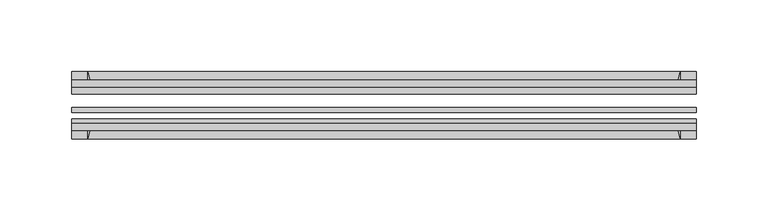
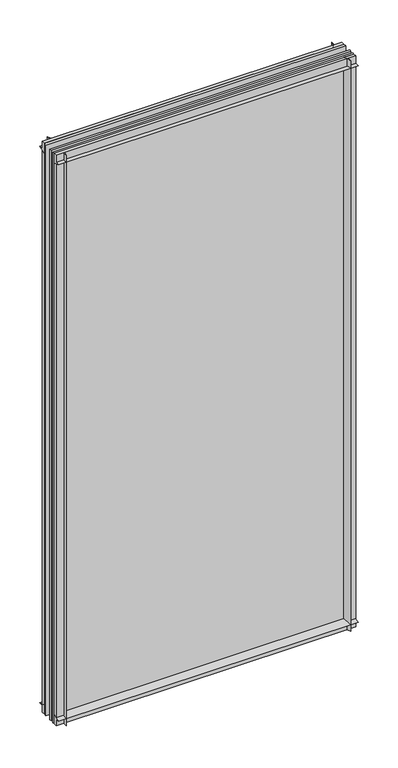
"""IFC4 building model written with IfcOpenShell, lengths in millimetres: plate geometry."""

from ifc_helpers import new_model, si_unit, point, frame, frame_2d, origin, place, context, project, spatial, polyline, circle_curve, trimmed, segment, composite_curve, outline, extrude, source, transform, mapped, element, save


def plate_d9caa0d7(model_context):
    return source(origin(), model_context, "Body", "SweptSolid", [
        extrude(outline(composite_curve([segment(polyline([(-74.653775, 0.0), (-80.586498, 0.0)]), True, "CONTINUOUS"), segment(trimmed(circle_curve(frame_2d((-86.2543953, 32.273404)), 32.7673262), [point((-80.586498, 0.0))], [point((-69.878575, 3.8915405))], True, "CARTESIAN"), True, "CONTINUOUS"), segment(polyline([(-69.878575, 3.8915405), (-69.878575, -10.31875), (-74.653775, -10.31875), (-74.653775, 0.0)]), True, "CONTINUOUS")], self_intersect=False)), frame((-217.4795252, 0.0, 0.0), z_axis=(1.0, 0.0, 0.0), x_axis=(0.0, 1.0, 0.0)), (0.0, 0.0, 1.0), 434.9590504),
        extrude(outline(composite_curve([segment(polyline([(-44.478575, -10.31875), (-44.478575, 3.8915405)]), True, "CONTINUOUS"), segment(trimmed(circle_curve(frame_2d((-28.1027547, 32.273404)), 32.7673262), [point((-44.478575, 3.8915405))], [point((-33.770652, 0.0))], True, "CARTESIAN"), True, "CONTINUOUS"), segment(polyline([(-33.770652, 0.0), (-39.703375, 0.0), (-39.703375, -10.31875), (-44.478575, -10.31875)]), True, "CONTINUOUS")], self_intersect=False)), frame((-217.4795252, 0.0, 0.0), z_axis=(1.0, 0.0, 0.0), x_axis=(0.0, 1.0, 0.0)), (0.0, 0.0, 1.0), 434.9590504),
        extrude(outline(composite_curve([segment(trimmed(circle_curve(frame_2d((-86.2543953, 821.795246)), 32.7673262), [point((-69.878575, 850.1771095))], [point((-80.622775, 854.075))], True, "CARTESIAN"), True, "CONTINUOUS"), segment(polyline([(-80.622775, 854.075), (-74.653775, 854.075), (-74.653775, 865.1875), (-69.878575, 865.1875), (-69.878575, 850.1771095)]), True, "CONTINUOUS")], self_intersect=False)), frame((-217.4795252, 0.0, 0.0), z_axis=(1.0, 0.0, 0.0), x_axis=(0.0, 1.0, 0.0)), (0.0, 0.0, 1.0), 434.9590504),
        extrude(outline(composite_curve([segment(polyline([(-44.478575, 850.1771095), (-44.478575, 865.1875), (-39.703375, 865.1875), (-39.703375, 854.075), (-33.734375, 854.075)]), True, "CONTINUOUS"), segment(trimmed(circle_curve(frame_2d((-28.1027547, 821.795246)), 32.7673262), [point((-33.734375, 854.075))], [point((-44.478575, 850.1771095))], True, "CARTESIAN"), True, "CONTINUOUS")], self_intersect=False)), frame((-217.4795252, 0.0, 0.0), z_axis=(1.0, 0.0, 0.0), x_axis=(0.0, 1.0, 0.0)), (0.0, 0.0, 1.0), 434.9590504),
        extrude(outline(composite_curve([segment(polyline([(202.4691347, -69.878575), (217.4795252, -69.878575), (217.4795252, -74.653775), (206.3670252, -74.653775), (206.3670252, -80.622775)]), True, "CONTINUOUS"), segment(trimmed(circle_curve(frame_2d((174.0872712, -86.2543953)), 32.7673262), [point((206.3670252, -80.622775))], [point((202.4691347, -69.878575))], True, "CARTESIAN"), True, "CONTINUOUS")], self_intersect=False)), frame((0.0, 0.0, -10.31875), z_axis=(0.0, 0.0, 1.0), x_axis=(1.0, 0.0, 0.0)), (0.0, 0.0, 1.0), 875.50625),
        extrude(outline(composite_curve([segment(trimmed(circle_curve(frame_2d((174.0872712, -28.1027547)), 32.7673262), [point((202.4691347, -44.478575))], [point((206.3670252, -33.734375))], True, "CARTESIAN"), True, "CONTINUOUS"), segment(polyline([(206.3670252, -33.734375), (206.3670252, -39.703375), (217.4795252, -39.703375), (217.4795252, -44.478575), (202.4691347, -44.478575)]), True, "CONTINUOUS")], self_intersect=False)), frame((0.0, 0.0, -10.31875), z_axis=(0.0, 0.0, 1.0), x_axis=(1.0, 0.0, 0.0)), (0.0, 0.0, 1.0), 875.50625),
        extrude(outline(composite_curve([segment(trimmed(circle_curve(frame_2d((-174.0872712, -86.2543953)), 32.7673262), [point((-202.4691347, -69.878575))], [point((-206.3670252, -80.622775))], True, "CARTESIAN"), True, "CONTINUOUS"), segment(polyline([(-206.3670252, -80.622775), (-206.3670252, -74.653775), (-217.4795252, -74.653775), (-217.4795252, -69.878575), (-202.4691347, -69.878575)]), True, "CONTINUOUS")], self_intersect=False)), frame((0.0, 0.0, -10.31875), z_axis=(0.0, 0.0, 1.0), x_axis=(1.0, 0.0, 0.0)), (0.0, 0.0, 1.0), 875.50625),
        extrude(outline(composite_curve([segment(polyline([(-202.4691347, -44.478575), (-217.4795252, -44.478575), (-217.4795252, -39.703375), (-206.3670252, -39.703375), (-206.3670252, -33.734375)]), True, "CONTINUOUS"), segment(trimmed(circle_curve(frame_2d((-174.0872712, -28.1027547)), 32.7673262), [point((-206.3670252, -33.734375))], [point((-202.4691347, -44.478575))], True, "CARTESIAN"), True, "CONTINUOUS")], self_intersect=False)), frame((0.0, 0.0, -10.31875), z_axis=(0.0, 0.0, 1.0), x_axis=(1.0, 0.0, 0.0)), (0.0, 0.0, 1.0), 875.50625),
        extrude(outline(polyline([(-217.4795252, -44.478575), (217.4795252, -44.478575), (217.4795252, -49.241075), (-217.4795252, -49.241075), (-217.4795252, -44.478575)])), frame((0.0, 0.0, -10.31875), z_axis=(0.0, 0.0, 1.0), x_axis=(1.0, 0.0, 0.0)), (0.0, 0.0, 1.0), 875.50625),
        extrude(outline(polyline([(217.4795252, -58.956575), (217.4795252, -62.131575), (-217.4795252, -62.131575), (-217.4795252, -58.956575), (217.4795252, -58.956575)])), frame((0.0, 0.0, -10.31875), z_axis=(0.0, 0.0, 1.0), x_axis=(1.0, 0.0, 0.0)), (0.0, 0.0, 1.0), 875.50625),
        extrude(outline(polyline([(-217.4795252, -66.703575), (217.4795252, -66.703575), (217.4795252, -69.878575), (-217.4795252, -69.878575), (-217.4795252, -66.703575)])), frame((0.0, 0.0, -10.31875), z_axis=(0.0, 0.0, 1.0), x_axis=(1.0, 0.0, 0.0)), (0.0, 0.0, 1.0), 875.50625),
    ])


if __name__ == "__main__":
    model = new_model("IFC4")
    model_context = context("Model", 3, world=origin())
    ifc_project = project(units=[si_unit("LENGTHUNIT", "METRE", prefix="MILLI")], contexts=[model_context])
    site = spatial("IfcSite", under=ifc_project)
    building = spatial("IfcBuilding", under=site)
    placement = place(None, origin())
    plate_shape = plate_d9caa0d7(model_context)
    element("IfcPlate", 1, at=placement, inside=building, context=model_context, shape_type="MappedRepresentation", body=[
        mapped(plate_shape, transform((0.0, 0.0, 0.0), x_axis=(1.0, 0.0, 0.0), y_axis=(0.0, 1.0, 0.0), z_axis=(0.0, 0.0, 1.0))),
    ])
    save(model, "model.ifc")
